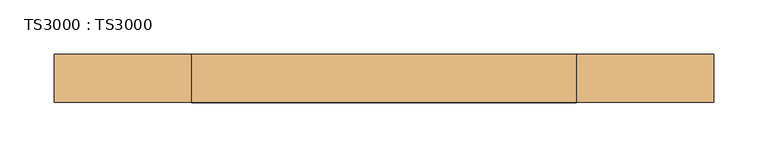
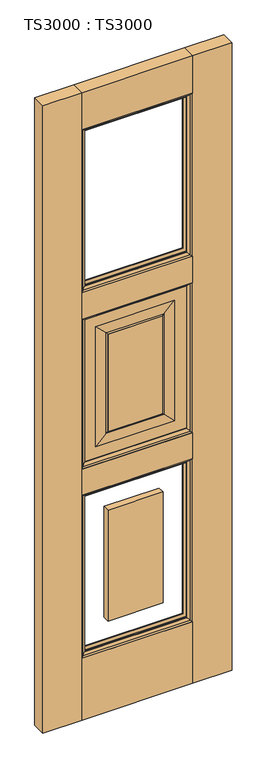
"""IFC4 building model written with IfcOpenShell, lengths in millimetres: door geometry, TS3000 : TS3000."""

from ifc_helpers import new_model, si_unit, frame, origin, origin_with_axes, place, context, project, spatial, polyline, ellipse_curve, outline, extrude, source, transform, mapped, element, save
from ifc_brep_helpers import plane_surface, revolved_surface, advanced_brep


def ts3000_ts3000_722c0499(model_context):
    return source(origin(), model_context, "Body", "SolidModel", [
        advanced_brep(
        [(482.6, 12.7, 1363.1333333), (482.6, 12.7, 853.0166667), (482.6, 31.75, 853.0166667), (482.6, 31.75, 1363.1333333), (127.0, 31.75, 853.0166667), (127.0, 31.75, 1363.1333333), (431.8, 31.75, 903.8166667), (431.8, 31.75, 1312.3333333), (177.8, 31.75, 1312.3333333), (177.8, 31.75, 903.8166667), (127.0, 12.7, 853.0166667), (127.0, 12.7, 1363.1333333), (431.8, 12.7, 1312.3333333), (431.8, 12.7, 903.8166667), (177.8, 12.7, 903.8166667), (177.8, 12.7, 1312.3333333), (393.7, 33.3375, 1274.2333333), (393.7, 33.3375, 941.9166667), (393.7, 11.1125, 941.9166667), (393.7, 11.1125, 1274.2333333), (398.4625, 13.49375, 937.1541667), (398.4625, 13.49375, 1278.9958333), (215.9, 33.3375, 941.9166667), (215.9, 11.1125, 941.9166667), (398.4625, 30.95625, 1278.9958333), (398.4625, 30.95625, 937.1541667), (211.1375, 13.49375, 937.1541667), (215.9, 33.3375, 1274.2333333), (215.9, 11.1125, 1274.2333333), (211.1375, 30.95625, 937.1541667), (211.1375, 13.49375, 1278.9958333), (211.1375, 30.95625, 1278.9958333)],
        [
            (0, 1),
            (1, 2),
            (2, 3),
            (3, 0),
            (2, 4),
            (4, 5),
            (5, 3),
            (6, 7),
            (7, 8),
            (8, 9),
            (9, 6),
            (1, 10),
            (10, 4),
            (0, 11),
            (11, 10),
            (12, 13),
            (13, 14),
            (14, 15),
            (15, 12),
            (16, 17),
            (17, 18),
            (18, 19),
            (19, 16),
            (18, 20, ellipse_curve(frame((398.9585938, 6.5484375, 936.6580729), z_axis=(-0.7071067811865475, 0.0, -0.7071067811865475), x_axis=(0.7071067811865474, 0.0, -0.7071067811865476)), 9.8471798, 6.9630076)),
            (20, 21),
            (21, 19, ellipse_curve(frame((398.9585938, 6.5484375, 1279.4919271), z_axis=(-0.7071067811865475, 0.0, 0.7071067811865475), x_axis=(-0.7071067811865474, 0.0, -0.7071067811865476)), 9.8471798, 6.9630076)),
            (17, 22),
            (22, 23),
            (23, 18),
            (24, 25),
            (25, 17, ellipse_curve(frame((398.9585938, 37.9015625, 936.6580729), z_axis=(-0.7071067811865475, 0.0, -0.7071067811865475), x_axis=(0.7071067811865474, 0.0, -0.7071067811865476)), 9.8471798, 6.9630076)),
            (16, 24, ellipse_curve(frame((398.9585938, 37.9015625, 1279.4919271), z_axis=(-0.7071067811865475, 0.0, 0.7071067811865475), x_axis=(-0.7071067811865474, 0.0, -0.7071067811865476)), 9.8471798, 6.9630076)),
            (11, 5),
            (23, 26, ellipse_curve(frame((210.6414063, 6.5484375, 936.6580729), z_axis=(-0.7071067811865475, 0.0, 0.7071067811865475), x_axis=(-0.7071067811865476, 0.0, -0.7071067811865474)), 9.8471798, 6.9630076)),
            (26, 20),
            (22, 27),
            (27, 28),
            (28, 23),
            (25, 29),
            (29, 22, ellipse_curve(frame((210.6414063, 37.9015625, 936.6580729), z_axis=(-0.7071067811865475, 0.0, 0.7071067811865475), x_axis=(-0.7071067811865476, 0.0, -0.7071067811865474)), 9.8471798, 6.9630076)),
            (28, 30, ellipse_curve(frame((210.6414063, 6.5484375, 1279.4919271), z_axis=(0.7071067811865475, 0.0, 0.7071067811865475), x_axis=(-0.7071067811865474, 0.0, 0.7071067811865476)), 9.8471798, 6.9630076)),
            (30, 26),
            (29, 31),
            (31, 27, ellipse_curve(frame((210.6414063, 37.9015625, 1279.4919271), z_axis=(0.7071067811865475, 0.0, 0.7071067811865475), x_axis=(-0.7071067811865474, 0.0, 0.7071067811865476)), 9.8471798, 6.9630076)),
            (9, 29),
            (25, 6),
            (8, 31),
            (24, 7),
            (30, 15),
            (14, 26),
            (13, 20),
            (12, 21),
            (27, 16),
            (19, 28),
            (24, 31),
            (30, 21),
        ],
        [
            plane_surface(frame((482.6, 31.75, 1363.1333333), z_axis=(1.0, 0.0, 0.0), x_axis=(0.0, 0.0, -1.0))),
            plane_surface(frame((177.8, 31.75, 1312.3333333), z_axis=(0.0, 1.0, 0.0), x_axis=(1.0, 0.0, 0.0))),
            plane_surface(frame((482.6, 31.75, 853.0166667), z_axis=(0.0, 0.0, -1.0), x_axis=(-1.0, 0.0, 0.0))),
            plane_surface(frame((127.0, 12.7, 1363.1333333), z_axis=(0.0, -1.0, 0.0), x_axis=(1.0, 0.0, 0.0))),
            plane_surface(frame((393.7, 11.1125, 1274.2333333), z_axis=(-1.0, 0.0, 0.0), x_axis=(0.0, 0.0, -1.0))),
            revolved_surface(polyline([(391.9955862, 6.5484375, 929.6950652878568), (391.9955862, 6.5484375, 1286.4549347121433)]), (398.9585938, 6.5484375, 1274.2333333), (0.0, 0.0, -1.0)),
            plane_surface(frame((393.7, 11.1125, 941.9166667), z_axis=(0.0, 0.0, 1.0), x_axis=(-1.0, 0.0, 0.0))),
            revolved_surface(polyline([(391.9955862, 37.9015625, 929.6950652878568), (391.9955862, 37.9015625, 1286.4549347121433)]), (398.9585938, 37.9015625, 1274.2333333), (0.0, 0.0, -1.0)),
            plane_surface(frame((127.0, 31.75, 853.0166667), z_axis=(-1.0, 0.0, 0.0), x_axis=(0.0, 0.0, 1.0))),
            revolved_surface(polyline([(203.6783986878568, 6.5484375, 943.6210805), (405.9216014121432, 6.5484375, 943.6210805)]), (393.7, 6.5484375, 936.6580729), (-1.0, 0.0, 0.0)),
            plane_surface(frame((215.9, 11.1125, 941.9166667), z_axis=(1.0, 0.0, 0.0), x_axis=(0.0, 0.0, 1.0))),
            revolved_surface(polyline([(203.6783986878568, 37.9015625, 943.6210805), (405.9216014121432, 37.9015625, 943.6210805)]), (393.7, 37.9015625, 936.6580729), (-1.0, 0.0, 0.0)),
            revolved_surface(polyline([(217.6044139, 6.5484375, 1286.4549347121433), (217.6044139, 6.5484375, 929.6950652878568)]), (210.6414063, 6.5484375, 941.9166667), (0.0, 0.0, 1.0)),
            revolved_surface(polyline([(217.6044139, 37.9015625, 1286.4549347121433), (217.6044139, 37.9015625, 929.6950652878568)]), (210.6414063, 37.9015625, 941.9166667), (0.0, 0.0, 1.0)),
            plane_surface(frame((398.4625, 30.95625, 937.1541667), z_axis=(0.0, 0.9997166737441345, 0.023802777946362628), x_axis=(-1.0, 0.0, 0.0))),
            plane_surface(frame((211.1375, 30.95625, 937.1541667), z_axis=(0.023802777946359394, 0.9997166737441346, 0.0), x_axis=(0.0, 0.0, 1.0))),
            plane_surface(frame((398.4625, 30.95625, 1278.9958333), z_axis=(-0.02380277794636586, 0.9997166737441344, 0.0), x_axis=(0.0, 0.0, -1.0))),
            plane_surface(frame((177.8, 12.7, 903.8166667), z_axis=(0.023802777946303297, -0.9997166737441359, 0.0), x_axis=(0.0, 0.0, 1.0))),
            plane_surface(frame((431.8, 12.7, 903.8166667), z_axis=(0.0, -0.999716673744136, 0.023802777946300063), x_axis=(-1.0, 0.0, 0.0))),
            plane_surface(frame((431.8, 12.7, 1312.3333333), z_axis=(-0.02380277794629683, -0.9997166737441361, 0.0), x_axis=(0.0, 0.0, -1.0))),
            plane_surface(frame((127.0, 31.75, 1363.1333333), z_axis=(0.0, 0.0, 1.0), x_axis=(1.0, 0.0, 0.0))),
            plane_surface(frame((215.9, 11.1125, 1274.2333333), z_axis=(0.0, 0.0, -1.0), x_axis=(1.0, 0.0, 0.0))),
            plane_surface(frame((211.1375, 30.95625, 1278.9958333), z_axis=(0.0, 0.9997166737441345, -0.023802777946362628), x_axis=(1.0, 0.0, 0.0))),
            plane_surface(frame((177.8, 12.7, 1312.3333333), z_axis=(0.0, -0.999716673744136, -0.023802777946300063), x_axis=(1.0, 0.0, 0.0))),
            revolved_surface(polyline([(405.9216014121432, 6.5484375, 1272.5289195), (203.6783986878568, 6.5484375, 1272.5289195)]), (215.9, 6.5484375, 1279.4919271), (1.0, 0.0, 0.0)),
            revolved_surface(polyline([(405.9216014121432, 37.9015625, 1272.5289195), (203.6783986878568, 37.9015625, 1272.5289195)]), (215.9, 37.9015625, 1279.4919271), (1.0, 0.0, 0.0)),
        ],
        [
            (0, [[1, 2, 3, 4]]),
            (1, [[-3, 5, 6, 7], [8, 9, 10, 11]]),
            (2, [[12, 13, -5, -2]]),
            (3, [[-1, 14, 15, -12], [16, 17, 18, 19]]),
            (4, [[20, 21, 22, 23]]),
            (5, [[-22, 24, 25, 26]]),
            (6, [[27, 28, 29, -21]]),
            (7, [[30, 31, -20, 32]]),
            (8, [[-15, 33, -6, -13]]),
            (9, [[-29, 34, 35, -24]]),
            (10, [[36, 37, 38, -28]]),
            (11, [[39, 40, -27, -31]]),
            (12, [[-38, 41, 42, -34]]),
            (13, [[43, 44, -36, -40]]),
            (14, [[-11, 45, -39, 46]]),
            (15, [[-10, 47, -43, -45]]),
            (16, [[-8, -46, -30, 48]]),
            (17, [[-42, 49, -18, 50]]),
            (18, [[-35, -50, -17, 51]]),
            (19, [[-25, -51, -16, 52]]),
            (20, [[-14, -4, -7, -33]]),
            (21, [[53, -23, 54, -37]]),
            (22, [[-9, -48, 55, -47]]),
            (23, [[56, -52, -19, -49]]),
            (24, [[-54, -26, -56, -41]]),
            (25, [[-55, -32, -53, -44]]),
        ],
    ),
        extrude(outline(polyline([(482.6, 44.45), (482.6, 0.0), (127.0, 0.0), (127.0, 44.45), (482.6, 44.45)])), origin_with_axes(), (0.0, 0.0, 1.0), 209.55),
        extrude(outline(polyline([(482.6, 44.45), (482.6, 0.0), (127.0, 0.0), (127.0, 44.45), (482.6, 44.45)])), frame((0.0, 0.0, 764.1166667), z_axis=(0.0, 0.0, 1.0), x_axis=(1.0, 0.0, 0.0)), (0.0, 0.0, 1.0), 88.9),
        extrude(outline(polyline([(482.6, 44.45), (482.6, 0.0), (127.0, 0.0), (127.0, 44.45), (482.6, 44.45)])), frame((0.0, 0.0, 2006.6), z_axis=(0.0, 0.0, 1.0), x_axis=(1.0, 0.0, 0.0)), (0.0, 0.0, 1.0), 127.0),
        extrude(outline(polyline([(482.6, 44.45), (482.6, 0.0), (127.0, 0.0), (127.0, 44.45), (482.6, 44.45)])), frame((0.0, 0.0, 1363.1333333), z_axis=(0.0, 0.0, 1.0), x_axis=(1.0, 0.0, 0.0)), (0.0, 0.0, 1.0), 88.9),
        extrude(outline(polyline([(215.9, 11.1125), (215.9, 33.3375), (393.7, 33.3375), (393.7, 11.1125), (215.9, 11.1125)])), frame((0.0, 0.0, 941.9166667), z_axis=(0.0, 0.0, 1.0), x_axis=(1.0, 0.0, 0.0)), (0.0, 0.0, 1.0), 332.3166667),
        extrude(outline(polyline([(215.9, 11.1125), (215.9, 33.3375), (393.7, 33.3375), (393.7, 11.1125), (215.9, 11.1125)])), frame((0.0, 0.0, 298.45), z_axis=(0.0, 0.0, 1.0), x_axis=(1.0, 0.0, 0.0)), (0.0, 0.0, 1.0), 376.7666667),
        extrude(outline(polyline([(127.0, 44.45), (127.0, 0.0), (0.0, 0.0), (0.0, 44.45), (127.0, 44.45)])), origin_with_axes(), (0.0, 0.0, 1.0), 2133.6),
        extrude(outline(polyline([(609.6, 44.45), (609.6, 0.0), (482.6, 0.0), (482.6, 44.45), (609.6, 44.45)])), origin_with_axes(), (0.0, 0.0, 1.0), 2133.6),
        advanced_brep(
        [(482.6, 31.75, 764.1166667), (482.6, 31.75, 209.55), (482.6, 44.4610047, 209.55), (482.6, 44.4610047, 764.1166667), (469.8912454, 34.925, 751.407912), (469.8912454, 34.925, 222.2587546), (469.8912454, 31.75, 222.2587546), (469.8912454, 31.75, 751.407912), (477.7328423, 41.275, 759.249509), (477.7328423, 41.275, 214.4171577), (127.0, 31.75, 209.55), (127.0, 44.4610047, 209.55), (139.7087546, 34.925, 222.2587546), (139.7087546, 31.75, 222.2587546), (131.8671577, 41.275, 214.4171577), (127.0, 31.75, 764.1166667), (127.0, 44.4610047, 764.1166667), (139.7087546, 34.925, 751.407912), (139.7087546, 31.75, 751.407912), (131.8671577, 41.275, 759.249509)],
        [
            (0, 1),
            (1, 2),
            (2, 3),
            (3, 0),
            (4, 5),
            (5, 6),
            (6, 7),
            (7, 4),
            (8, 9),
            (9, 5, ellipse_curve(frame((465.749739, 48.0561173, 226.400261), z_axis=(-0.7071067811865475, 0.0, -0.7071067811865475), x_axis=(0.7071067811865474, 0.0, -0.7071067811865476)), 19.4719447, 13.7687442)),
            (4, 8, ellipse_curve(frame((465.749739, 48.0561173, 747.2664057), z_axis=(-0.7071067811865475, 0.0, 0.7071067811865475), x_axis=(-0.7071067811865474, 0.0, -0.7071067811865476)), 19.4719447, 13.7687442)),
            (2, 9, ellipse_curve(frame((474.6613821, 51.2778746, 217.4886179), z_axis=(-0.7071067811865475, 0.0, -0.7071067811865475), x_axis=(0.7071067811865474, 0.0, -0.7071067811865476)), 14.7980653, 10.4638123)),
            (8, 3, ellipse_curve(frame((474.6613821, 51.2778746, 756.1780488), z_axis=(-0.7071067811865475, 0.0, 0.7071067811865475), x_axis=(-0.7071067811865474, 0.0, -0.7071067811865476)), 14.7980653, 10.4638123)),
            (1, 10),
            (10, 11),
            (11, 2),
            (5, 12),
            (12, 13),
            (13, 6),
            (9, 14),
            (14, 12, ellipse_curve(frame((143.850261, 48.0561173, 226.400261), z_axis=(-0.7071067811865475, 0.0, 0.7071067811865475), x_axis=(-0.7071067811865476, 0.0, -0.7071067811865474)), 19.4719447, 13.7687442)),
            (11, 14, ellipse_curve(frame((134.9386179, 51.2778746, 217.4886179), z_axis=(-0.7071067811865475, 0.0, 0.7071067811865475), x_axis=(-0.7071067811865476, 0.0, -0.7071067811865474)), 14.7980653, 10.4638123)),
            (10, 15),
            (15, 16),
            (16, 11),
            (12, 17),
            (17, 18),
            (18, 13),
            (14, 19),
            (19, 17, ellipse_curve(frame((143.850261, 48.0561173, 747.2664057), z_axis=(0.7071067811865475, 0.0, 0.7071067811865475), x_axis=(-0.7071067811865474, 0.0, 0.7071067811865476)), 19.4719447, 13.7687442)),
            (16, 19, ellipse_curve(frame((134.9386179, 51.2778746, 756.1780488), z_axis=(0.7071067811865475, 0.0, 0.7071067811865475), x_axis=(-0.7071067811865474, 0.0, 0.7071067811865476)), 14.7980653, 10.4638123)),
            (15, 0),
            (3, 16),
            (18, 7),
            (17, 4),
            (19, 8),
        ],
        [
            plane_surface(frame((482.6, 44.4610047, 764.1166667), z_axis=(1.0, 0.0, 0.0), x_axis=(0.0, 0.0, -1.0))),
            plane_surface(frame((469.8912454, 31.75, 751.407912), z_axis=(-1.0, 0.0, 0.0), x_axis=(0.0, 0.0, -1.0))),
            revolved_surface(polyline([(451.98099479999996, 48.0561173, 212.6315168597406), (451.98099479999996, 48.0561173, 761.0351498402594)]), (465.749739, 48.0561173, 764.1166667), (0.0, 0.0, -1.0)),
            revolved_surface(polyline([(464.1975698, 51.2778746, 207.02480557792865), (464.1975698, 51.2778746, 766.6418611220714)]), (474.6613821, 51.2778746, 764.1166667), (0.0, 0.0, -1.0)),
            plane_surface(frame((482.6, 44.4610047, 209.55), z_axis=(0.0, 0.0, -1.0), x_axis=(-1.0, 0.0, 0.0))),
            plane_surface(frame((469.8912454, 31.75, 222.2587546), z_axis=(0.0, 0.0, 1.0), x_axis=(-1.0, 0.0, 0.0))),
            revolved_surface(polyline([(130.08151685974053, 48.0561173, 240.16900520000002), (479.51848314025943, 48.0561173, 240.16900520000002)]), (482.6, 48.0561173, 226.400261), (-1.0, 0.0, 0.0)),
            revolved_surface(polyline([(124.47480557792863, 51.2778746, 227.9524302), (485.1251944220714, 51.2778746, 227.9524302)]), (482.6, 51.2778746, 217.4886179), (-1.0, 0.0, 0.0)),
            plane_surface(frame((127.0, 44.4610047, 209.55), z_axis=(-1.0, 0.0, 0.0), x_axis=(0.0, 0.0, 1.0))),
            plane_surface(frame((139.7087546, 31.75, 222.2587546), z_axis=(1.0, 0.0, 0.0), x_axis=(0.0, 0.0, 1.0))),
            revolved_surface(polyline([(157.6190052, 48.0561173, 761.0351498402595), (157.6190052, 48.0561173, 212.63151685974054)]), (143.850261, 48.0561173, 209.55), (0.0, 0.0, 1.0)),
            revolved_surface(polyline([(145.4024302, 51.2778746, 766.6418611220713), (145.4024302, 51.2778746, 207.02480557792867)]), (134.9386179, 51.2778746, 209.55), (0.0, 0.0, 1.0)),
            plane_surface(frame((127.0, 44.4610047, 764.1166667), z_axis=(0.0, 0.0, 1.0), x_axis=(1.0, 0.0, 0.0))),
            plane_surface(frame((127.0, 31.75, 764.1166667), z_axis=(0.0, -1.0, 0.0), x_axis=(1.0, 0.0, 0.0))),
            plane_surface(frame((139.7087546, 31.75, 751.407912), z_axis=(0.0, 0.0, -1.0), x_axis=(1.0, 0.0, 0.0))),
            revolved_surface(polyline([(479.51848314025943, 48.0561173, 733.4976614999999), (130.08151685974053, 48.0561173, 733.4976614999999)]), (127.0, 48.0561173, 747.2664057), (1.0, 0.0, 0.0)),
            revolved_surface(polyline([(485.1251944220714, 51.2778746, 745.7142365000001), (124.47480557792866, 51.2778746, 745.7142365000001)]), (127.0, 51.2778746, 756.1780488), (1.0, 0.0, 0.0)),
        ],
        [
            (0, [[1, 2, 3, 4]]),
            (1, [[5, 6, 7, 8]]),
            (2, [[9, 10, -5, 11]]),
            (3, [[-3, 12, -9, 13]]),
            (4, [[14, 15, 16, -2]]),
            (5, [[17, 18, 19, -6]]),
            (6, [[20, 21, -17, -10]]),
            (7, [[-16, 22, -20, -12]]),
            (8, [[23, 24, 25, -15]]),
            (9, [[26, 27, 28, -18]]),
            (10, [[29, 30, -26, -21]]),
            (11, [[-25, 31, -29, -22]]),
            (12, [[32, -4, 33, -24]]),
            (13, [[-1, -32, -23, -14], [-7, -19, -28, 34]]),
            (14, [[35, -8, -34, -27]]),
            (15, [[36, -11, -35, -30]]),
            (16, [[-33, -13, -36, -31]]),
        ],
    ),
        advanced_brep(
        [(477.7328423, 3.175, 759.249509), (477.7328423, 3.175, 214.4171577), (482.6, -0.0110047, 209.55), (482.6, -0.0110047, 764.1166667), (469.8912454, 9.525, 751.407912), (469.8912454, 9.525, 222.2587546), (469.8912454, 12.7, 751.407912), (469.8912454, 12.7, 222.2587546), (482.6, 12.7, 209.55), (482.6, 12.7, 764.1166667), (131.8671577, 3.175, 214.4171577), (127.0, -0.0110047, 209.55), (139.7087546, 9.525, 222.2587546), (139.7087546, 12.7, 222.2587546), (127.0, 12.7, 209.55), (131.8671577, 3.175, 759.249509), (127.0, -0.0110047, 764.1166667), (139.7087546, 9.525, 751.407912), (139.7087546, 12.7, 751.407912), (127.0, 12.7, 764.1166667)],
        [
            (0, 1),
            (1, 2, ellipse_curve(frame((474.6613821, -6.8278746, 217.4886179), z_axis=(-0.7071067811865475, 0.0, -0.7071067811865475), x_axis=(0.7071067811865474, 0.0, -0.7071067811865476)), 14.7980653, 10.4638123)),
            (2, 3),
            (3, 0, ellipse_curve(frame((474.6613821, -6.8278746, 756.1780488), z_axis=(-0.7071067811865475, 0.0, 0.7071067811865475), x_axis=(-0.7071067811865474, 0.0, -0.7071067811865476)), 14.7980653, 10.4638123)),
            (4, 5),
            (5, 1, ellipse_curve(frame((465.749739, -3.6061173, 226.400261), z_axis=(-0.7071067811865475, 0.0, -0.7071067811865475), x_axis=(0.7071067811865474, 0.0, -0.7071067811865476)), 19.4719447, 13.7687442)),
            (0, 4, ellipse_curve(frame((465.749739, -3.6061173, 747.2664057), z_axis=(-0.7071067811865475, 0.0, 0.7071067811865475), x_axis=(-0.7071067811865474, 0.0, -0.7071067811865476)), 19.4719447, 13.7687442)),
            (6, 7),
            (7, 5),
            (4, 6),
            (2, 8),
            (8, 9),
            (9, 3),
            (1, 10),
            (10, 11, ellipse_curve(frame((134.9386179, -6.8278746, 217.4886179), z_axis=(-0.7071067811865475, 0.0, 0.7071067811865475), x_axis=(-0.7071067811865476, 0.0, -0.7071067811865474)), 14.7980653, 10.4638123)),
            (11, 2),
            (5, 12),
            (12, 10, ellipse_curve(frame((143.850261, -3.6061173, 226.400261), z_axis=(-0.7071067811865475, 0.0, 0.7071067811865475), x_axis=(-0.7071067811865476, 0.0, -0.7071067811865474)), 19.4719447, 13.7687442)),
            (7, 13),
            (13, 12),
            (11, 14),
            (14, 8),
            (10, 15),
            (15, 16, ellipse_curve(frame((134.9386179, -6.8278746, 756.1780488), z_axis=(0.7071067811865475, 0.0, 0.7071067811865475), x_axis=(-0.7071067811865474, 0.0, 0.7071067811865476)), 14.7980653, 10.4638123)),
            (16, 11),
            (12, 17),
            (17, 15, ellipse_curve(frame((143.850261, -3.6061173, 747.2664057), z_axis=(0.7071067811865475, 0.0, 0.7071067811865475), x_axis=(-0.7071067811865474, 0.0, 0.7071067811865476)), 19.4719447, 13.7687442)),
            (13, 18),
            (18, 17),
            (16, 19),
            (19, 14),
            (15, 0),
            (3, 16),
            (17, 4),
            (18, 6),
            (19, 9),
        ],
        [
            revolved_surface(polyline([(464.1975698, -6.8278746, 207.02480557792865), (464.1975698, -6.8278746, 766.6418611220714)]), (474.6613821, -6.8278746, 764.1166667), (0.0, 0.0, -1.0)),
            revolved_surface(polyline([(451.98099479999996, -3.6061173, 212.6315168597406), (451.98099479999996, -3.6061173, 761.0351498402594)]), (465.749739, -3.6061173, 764.1166667), (0.0, 0.0, -1.0)),
            plane_surface(frame((469.8912454, 9.525, 751.407912), z_axis=(-1.0, 0.0, 0.0), x_axis=(0.0, 0.0, -1.0))),
            plane_surface(frame((482.6, 12.7, 764.1166667), z_axis=(1.0, 0.0, 0.0), x_axis=(0.0, 0.0, -1.0))),
            revolved_surface(polyline([(124.47480557792863, -6.8278746, 227.9524302), (485.1251944220714, -6.8278746, 227.9524302)]), (482.6, -6.8278746, 217.4886179), (-1.0, 0.0, 0.0)),
            revolved_surface(polyline([(130.08151685974053, -3.6061173, 240.16900520000002), (479.51848314025943, -3.6061173, 240.16900520000002)]), (482.6, -3.6061173, 226.400261), (-1.0, 0.0, 0.0)),
            plane_surface(frame((469.8912454, 9.525, 222.2587546), z_axis=(0.0, 0.0, 1.0), x_axis=(-1.0, 0.0, 0.0))),
            plane_surface(frame((482.6, 12.7, 209.55), z_axis=(0.0, 0.0, -1.0), x_axis=(-1.0, 0.0, 0.0))),
            revolved_surface(polyline([(145.4024302, -6.8278746, 766.6418611220713), (145.4024302, -6.8278746, 207.02480557792867)]), (134.9386179, -6.8278746, 209.55), (0.0, 0.0, 1.0)),
            revolved_surface(polyline([(157.6190052, -3.6061173, 761.0351498402595), (157.6190052, -3.6061173, 212.63151685974054)]), (143.850261, -3.6061173, 209.55), (0.0, 0.0, 1.0)),
            plane_surface(frame((139.7087546, 9.525, 222.2587546), z_axis=(1.0, 0.0, 0.0), x_axis=(0.0, 0.0, 1.0))),
            plane_surface(frame((127.0, 12.7, 209.55), z_axis=(-1.0, 0.0, 0.0), x_axis=(0.0, 0.0, 1.0))),
            revolved_surface(polyline([(485.1251944220714, -6.8278746, 745.7142365000001), (124.47480557792866, -6.8278746, 745.7142365000001)]), (127.0, -6.8278746, 756.1780488), (1.0, 0.0, 0.0)),
            revolved_surface(polyline([(479.51848314025943, -3.6061173, 733.4976614999999), (130.08151685974053, -3.6061173, 733.4976614999999)]), (127.0, -3.6061173, 747.2664057), (1.0, 0.0, 0.0)),
            plane_surface(frame((139.7087546, 9.525, 751.407912), z_axis=(0.0, 0.0, -1.0), x_axis=(1.0, 0.0, 0.0))),
            plane_surface(frame((139.7087546, 12.7, 751.407912), z_axis=(0.0, 1.0, 0.0), x_axis=(1.0, 0.0, 0.0))),
            plane_surface(frame((127.0, 12.7, 764.1166667), z_axis=(0.0, 0.0, 1.0), x_axis=(1.0, 0.0, 0.0))),
        ],
        [
            (0, [[1, 2, 3, 4]]),
            (1, [[5, 6, -1, 7]]),
            (2, [[8, 9, -5, 10]]),
            (3, [[-3, 11, 12, 13]]),
            (4, [[14, 15, 16, -2]]),
            (5, [[17, 18, -14, -6]]),
            (6, [[19, 20, -17, -9]]),
            (7, [[-16, 21, 22, -11]]),
            (8, [[23, 24, 25, -15]]),
            (9, [[26, 27, -23, -18]]),
            (10, [[28, 29, -26, -20]]),
            (11, [[-25, 30, 31, -21]]),
            (12, [[32, -4, 33, -24]]),
            (13, [[34, -7, -32, -27]]),
            (14, [[35, -10, -34, -29]]),
            (15, [[-12, -22, -31, 36], [-8, -35, -28, -19]]),
            (16, [[-33, -13, -36, -30]]),
        ],
    ),
        advanced_brep(
        [(482.6, 31.75, 1363.1333333), (482.6, 31.75, 853.0166667), (482.6, 44.4610047, 853.0166667), (482.6, 44.4610047, 1363.1333333), (469.8912454, 34.925, 1350.4245787), (469.8912454, 34.925, 865.7254213), (469.8912454, 31.75, 865.7254213), (469.8912454, 31.75, 1350.4245787), (477.7328423, 41.275, 1358.2661757), (477.7328423, 41.275, 857.8838243), (127.0, 31.75, 853.0166667), (127.0, 44.4610047, 853.0166667), (139.7087546, 34.925, 865.7254213), (139.7087546, 31.75, 865.7254213), (131.8671577, 41.275, 857.8838243), (127.0, 31.75, 1363.1333333), (127.0, 44.4610047, 1363.1333333), (139.7087546, 34.925, 1350.4245787), (139.7087546, 31.75, 1350.4245787), (131.8671577, 41.275, 1358.2661757)],
        [
            (0, 1),
            (1, 2),
            (2, 3),
            (3, 0),
            (4, 5),
            (5, 6),
            (6, 7),
            (7, 4),
            (8, 9),
            (9, 5, ellipse_curve(frame((465.749739, 48.0561173, 869.8669276), z_axis=(-0.7071067811865475, 0.0, -0.7071067811865475), x_axis=(0.7071067811865474, 0.0, -0.7071067811865476)), 19.4719447, 13.7687442)),
            (4, 8, ellipse_curve(frame((465.749739, 48.0561173, 1346.2830724), z_axis=(-0.7071067811865475, 0.0, 0.7071067811865475), x_axis=(-0.7071067811865474, 0.0, -0.7071067811865476)), 19.4719447, 13.7687442)),
            (2, 9, ellipse_curve(frame((474.6613821, 51.2778746, 860.9552845), z_axis=(-0.7071067811865475, 0.0, -0.7071067811865475), x_axis=(0.7071067811865474, 0.0, -0.7071067811865476)), 14.7980653, 10.4638123)),
            (8, 3, ellipse_curve(frame((474.6613821, 51.2778746, 1355.1947155), z_axis=(-0.7071067811865475, 0.0, 0.7071067811865475), x_axis=(-0.7071067811865474, 0.0, -0.7071067811865476)), 14.7980653, 10.4638123)),
            (1, 10),
            (10, 11),
            (11, 2),
            (5, 12),
            (12, 13),
            (13, 6),
            (9, 14),
            (14, 12, ellipse_curve(frame((143.850261, 48.0561173, 869.8669276), z_axis=(-0.7071067811865475, 0.0, 0.7071067811865475), x_axis=(-0.7071067811865476, 0.0, -0.7071067811865474)), 19.4719447, 13.7687442)),
            (11, 14, ellipse_curve(frame((134.9386179, 51.2778746, 860.9552845), z_axis=(-0.7071067811865475, 0.0, 0.7071067811865475), x_axis=(-0.7071067811865476, 0.0, -0.7071067811865474)), 14.7980653, 10.4638123)),
            (10, 15),
            (15, 16),
            (16, 11),
            (12, 17),
            (17, 18),
            (18, 13),
            (14, 19),
            (19, 17, ellipse_curve(frame((143.850261, 48.0561173, 1346.2830724), z_axis=(0.7071067811865475, 0.0, 0.7071067811865475), x_axis=(-0.7071067811865474, 0.0, 0.7071067811865476)), 19.4719447, 13.7687442)),
            (16, 19, ellipse_curve(frame((134.9386179, 51.2778746, 1355.1947155), z_axis=(0.7071067811865475, 0.0, 0.7071067811865475), x_axis=(-0.7071067811865474, 0.0, 0.7071067811865476)), 14.7980653, 10.4638123)),
            (15, 0),
            (3, 16),
            (18, 7),
            (17, 4),
            (19, 8),
        ],
        [
            plane_surface(frame((482.6, 44.4610047, 1363.1333333), z_axis=(1.0, 0.0, 0.0), x_axis=(0.0, 0.0, -1.0))),
            plane_surface(frame((469.8912454, 31.75, 1350.4245787), z_axis=(-1.0, 0.0, 0.0), x_axis=(0.0, 0.0, -1.0))),
            revolved_surface(polyline([(451.98099479999996, 48.0561173, 856.0981834597405), (451.98099479999996, 48.0561173, 1360.0518165402596)]), (465.749739, 48.0561173, 1363.1333333), (0.0, 0.0, -1.0)),
            revolved_surface(polyline([(464.1975698, 51.2778746, 850.4914721779286), (464.1975698, 51.2778746, 1365.6585278220714)]), (474.6613821, 51.2778746, 1363.1333333), (0.0, 0.0, -1.0)),
            plane_surface(frame((482.6, 44.4610047, 853.0166667), z_axis=(0.0, 0.0, -1.0), x_axis=(-1.0, 0.0, 0.0))),
            plane_surface(frame((469.8912454, 31.75, 865.7254213), z_axis=(0.0, 0.0, 1.0), x_axis=(-1.0, 0.0, 0.0))),
            revolved_surface(polyline([(130.08151685974053, 48.0561173, 883.6356718000001), (479.51848314025943, 48.0561173, 883.6356718000001)]), (482.6, 48.0561173, 869.8669276), (-1.0, 0.0, 0.0)),
            revolved_surface(polyline([(124.47480557792863, 51.2778746, 871.4190967999999), (485.1251944220714, 51.2778746, 871.4190967999999)]), (482.6, 51.2778746, 860.9552845), (-1.0, 0.0, 0.0)),
            plane_surface(frame((127.0, 44.4610047, 853.0166667), z_axis=(-1.0, 0.0, 0.0), x_axis=(0.0, 0.0, 1.0))),
            plane_surface(frame((139.7087546, 31.75, 865.7254213), z_axis=(1.0, 0.0, 0.0), x_axis=(0.0, 0.0, 1.0))),
            revolved_surface(polyline([(157.6190052, 48.0561173, 1360.0518165402596), (157.6190052, 48.0561173, 856.0981834597407)]), (143.850261, 48.0561173, 853.0166667), (0.0, 0.0, 1.0)),
            revolved_surface(polyline([(145.4024302, 51.2778746, 1365.6585278220714), (145.4024302, 51.2778746, 850.4914721779286)]), (134.9386179, 51.2778746, 853.0166667), (0.0, 0.0, 1.0)),
            plane_surface(frame((127.0, 44.4610047, 1363.1333333), z_axis=(0.0, 0.0, 1.0), x_axis=(1.0, 0.0, 0.0))),
            plane_surface(frame((127.0, 31.75, 1363.1333333), z_axis=(0.0, -1.0, 0.0), x_axis=(1.0, 0.0, 0.0))),
            plane_surface(frame((139.7087546, 31.75, 1350.4245787), z_axis=(0.0, 0.0, -1.0), x_axis=(1.0, 0.0, 0.0))),
            revolved_surface(polyline([(479.51848314025943, 48.0561173, 1332.5143282000001), (130.08151685974053, 48.0561173, 1332.5143282000001)]), (127.0, 48.0561173, 1346.2830724), (1.0, 0.0, 0.0)),
            revolved_surface(polyline([(485.1251944220714, 51.2778746, 1344.7309032), (124.47480557792866, 51.2778746, 1344.7309032)]), (127.0, 51.2778746, 1355.1947155), (1.0, 0.0, 0.0)),
        ],
        [
            (0, [[1, 2, 3, 4]]),
            (1, [[5, 6, 7, 8]]),
            (2, [[9, 10, -5, 11]]),
            (3, [[-3, 12, -9, 13]]),
            (4, [[14, 15, 16, -2]]),
            (5, [[17, 18, 19, -6]]),
            (6, [[20, 21, -17, -10]]),
            (7, [[-16, 22, -20, -12]]),
            (8, [[23, 24, 25, -15]]),
            (9, [[26, 27, 28, -18]]),
            (10, [[29, 30, -26, -21]]),
            (11, [[-25, 31, -29, -22]]),
            (12, [[32, -4, 33, -24]]),
            (13, [[-1, -32, -23, -14], [-7, -19, -28, 34]]),
            (14, [[35, -8, -34, -27]]),
            (15, [[36, -11, -35, -30]]),
            (16, [[-33, -13, -36, -31]]),
        ],
    ),
        advanced_brep(
        [(477.7328423, 3.175, 1358.2661757), (477.7328423, 3.175, 857.8838243), (482.6, -0.0110047, 853.0166667), (482.6, -0.0110047, 1363.1333333), (469.8912454, 9.525, 1350.4245787), (469.8912454, 9.525, 865.7254213), (469.8912454, 12.7, 1350.4245787), (469.8912454, 12.7, 865.7254213), (482.6, 12.7, 853.0166667), (482.6, 12.7, 1363.1333333), (131.8671577, 3.175, 857.8838243), (127.0, -0.0110047, 853.0166667), (139.7087546, 9.525, 865.7254213), (139.7087546, 12.7, 865.7254213), (127.0, 12.7, 853.0166667), (131.8671577, 3.175, 1358.2661757), (127.0, -0.0110047, 1363.1333333), (139.7087546, 9.525, 1350.4245787), (139.7087546, 12.7, 1350.4245787), (127.0, 12.7, 1363.1333333)],
        [
            (0, 1),
            (1, 2, ellipse_curve(frame((474.6613821, -6.8278746, 860.9552845), z_axis=(-0.7071067811865475, 0.0, -0.7071067811865475), x_axis=(0.7071067811865474, 0.0, -0.7071067811865476)), 14.7980653, 10.4638123)),
            (2, 3),
            (3, 0, ellipse_curve(frame((474.6613821, -6.8278746, 1355.1947155), z_axis=(-0.7071067811865475, 0.0, 0.7071067811865475), x_axis=(-0.7071067811865474, 0.0, -0.7071067811865476)), 14.7980653, 10.4638123)),
            (4, 5),
            (5, 1, ellipse_curve(frame((465.749739, -3.6061173, 869.8669276), z_axis=(-0.7071067811865475, 0.0, -0.7071067811865475), x_axis=(0.7071067811865474, 0.0, -0.7071067811865476)), 19.4719447, 13.7687442)),
            (0, 4, ellipse_curve(frame((465.749739, -3.6061173, 1346.2830724), z_axis=(-0.7071067811865475, 0.0, 0.7071067811865475), x_axis=(-0.7071067811865474, 0.0, -0.7071067811865476)), 19.4719447, 13.7687442)),
            (6, 7),
            (7, 5),
            (4, 6),
            (2, 8),
            (8, 9),
            (9, 3),
            (1, 10),
            (10, 11, ellipse_curve(frame((134.9386179, -6.8278746, 860.9552845), z_axis=(-0.7071067811865475, 0.0, 0.7071067811865475), x_axis=(-0.7071067811865476, 0.0, -0.7071067811865474)), 14.7980653, 10.4638123)),
            (11, 2),
            (5, 12),
            (12, 10, ellipse_curve(frame((143.850261, -3.6061173, 869.8669276), z_axis=(-0.7071067811865475, 0.0, 0.7071067811865475), x_axis=(-0.7071067811865476, 0.0, -0.7071067811865474)), 19.4719447, 13.7687442)),
            (7, 13),
            (13, 12),
            (11, 14),
            (14, 8),
            (10, 15),
            (15, 16, ellipse_curve(frame((134.9386179, -6.8278746, 1355.1947155), z_axis=(0.7071067811865475, 0.0, 0.7071067811865475), x_axis=(-0.7071067811865474, 0.0, 0.7071067811865476)), 14.7980653, 10.4638123)),
            (16, 11),
            (12, 17),
            (17, 15, ellipse_curve(frame((143.850261, -3.6061173, 1346.2830724), z_axis=(0.7071067811865475, 0.0, 0.7071067811865475), x_axis=(-0.7071067811865474, 0.0, 0.7071067811865476)), 19.4719447, 13.7687442)),
            (13, 18),
            (18, 17),
            (16, 19),
            (19, 14),
            (15, 0),
            (3, 16),
            (17, 4),
            (18, 6),
            (19, 9),
        ],
        [
            revolved_surface(polyline([(464.1975698, -6.8278746, 850.4914721779286), (464.1975698, -6.8278746, 1365.6585278220714)]), (474.6613821, -6.8278746, 1363.1333333), (0.0, 0.0, -1.0)),
            revolved_surface(polyline([(451.98099479999996, -3.6061173, 856.0981834597405), (451.98099479999996, -3.6061173, 1360.0518165402596)]), (465.749739, -3.6061173, 1363.1333333), (0.0, 0.0, -1.0)),
            plane_surface(frame((469.8912454, 9.525, 1350.4245787), z_axis=(-1.0, 0.0, 0.0), x_axis=(0.0, 0.0, -1.0))),
            plane_surface(frame((482.6, 12.7, 1363.1333333), z_axis=(1.0, 0.0, 0.0), x_axis=(0.0, 0.0, -1.0))),
            revolved_surface(polyline([(124.47480557792863, -6.8278746, 871.4190967999999), (485.1251944220714, -6.8278746, 871.4190967999999)]), (482.6, -6.8278746, 860.9552845), (-1.0, 0.0, 0.0)),
            revolved_surface(polyline([(130.08151685974053, -3.6061173, 883.6356718000001), (479.51848314025943, -3.6061173, 883.6356718000001)]), (482.6, -3.6061173, 869.8669276), (-1.0, 0.0, 0.0)),
            plane_surface(frame((469.8912454, 9.525, 865.7254213), z_axis=(0.0, 0.0, 1.0), x_axis=(-1.0, 0.0, 0.0))),
            plane_surface(frame((482.6, 12.7, 853.0166667), z_axis=(0.0, 0.0, -1.0), x_axis=(-1.0, 0.0, 0.0))),
            revolved_surface(polyline([(145.4024302, -6.8278746, 1365.6585278220714), (145.4024302, -6.8278746, 850.4914721779286)]), (134.9386179, -6.8278746, 853.0166667), (0.0, 0.0, 1.0)),
            revolved_surface(polyline([(157.6190052, -3.6061173, 1360.0518165402596), (157.6190052, -3.6061173, 856.0981834597407)]), (143.850261, -3.6061173, 853.0166667), (0.0, 0.0, 1.0)),
            plane_surface(frame((139.7087546, 9.525, 865.7254213), z_axis=(1.0, 0.0, 0.0), x_axis=(0.0, 0.0, 1.0))),
            plane_surface(frame((127.0, 12.7, 853.0166667), z_axis=(-1.0, 0.0, 0.0), x_axis=(0.0, 0.0, 1.0))),
            revolved_surface(polyline([(485.1251944220714, -6.8278746, 1344.7309032), (124.47480557792866, -6.8278746, 1344.7309032)]), (127.0, -6.8278746, 1355.1947155), (1.0, 0.0, 0.0)),
            revolved_surface(polyline([(479.51848314025943, -3.6061173, 1332.5143282000001), (130.08151685974053, -3.6061173, 1332.5143282000001)]), (127.0, -3.6061173, 1346.2830724), (1.0, 0.0, 0.0)),
            plane_surface(frame((139.7087546, 9.525, 1350.4245787), z_axis=(0.0, 0.0, -1.0), x_axis=(1.0, 0.0, 0.0))),
            plane_surface(frame((139.7087546, 12.7, 1350.4245787), z_axis=(0.0, 1.0, 0.0), x_axis=(1.0, 0.0, 0.0))),
            plane_surface(frame((127.0, 12.7, 1363.1333333), z_axis=(0.0, 0.0, 1.0), x_axis=(1.0, 0.0, 0.0))),
        ],
        [
            (0, [[1, 2, 3, 4]]),
            (1, [[5, 6, -1, 7]]),
            (2, [[8, 9, -5, 10]]),
            (3, [[-3, 11, 12, 13]]),
            (4, [[14, 15, 16, -2]]),
            (5, [[17, 18, -14, -6]]),
            (6, [[19, 20, -17, -9]]),
            (7, [[-16, 21, 22, -11]]),
            (8, [[23, 24, 25, -15]]),
            (9, [[26, 27, -23, -18]]),
            (10, [[28, 29, -26, -20]]),
            (11, [[-25, 30, 31, -21]]),
            (12, [[32, -4, 33, -24]]),
            (13, [[34, -7, -32, -27]]),
            (14, [[35, -10, -34, -29]]),
            (15, [[-12, -22, -31, 36], [-8, -35, -28, -19]]),
            (16, [[-33, -13, -36, -30]]),
        ],
    ),
        advanced_brep(
        [(482.6, 31.75, 2006.6), (482.6, 31.75, 1452.0333333), (482.6, 44.4610047, 1452.0333333), (482.6, 44.4610047, 2006.6), (469.8912454, 34.925, 1993.8912454), (469.8912454, 34.925, 1464.742088), (469.8912454, 31.75, 1464.742088), (469.8912454, 31.75, 1993.8912454), (477.7328423, 41.275, 2001.7328423), (477.7328423, 41.275, 1456.900491), (127.0, 31.75, 1452.0333333), (127.0, 44.4610047, 1452.0333333), (139.7087546, 34.925, 1464.742088), (139.7087546, 31.75, 1464.742088), (131.8671577, 41.275, 1456.900491), (127.0, 31.75, 2006.6), (127.0, 44.4610047, 2006.6), (139.7087546, 34.925, 1993.8912454), (139.7087546, 31.75, 1993.8912454), (131.8671577, 41.275, 2001.7328423)],
        [
            (0, 1),
            (1, 2),
            (2, 3),
            (3, 0),
            (4, 5),
            (5, 6),
            (6, 7),
            (7, 4),
            (8, 9),
            (9, 5, ellipse_curve(frame((466.4743353, 47.1613154, 1468.158998), z_axis=(-0.7071067811865475, 0.0, -0.7071067811865475), x_axis=(0.7071067811865474, 0.0, -0.7071067811865476)), 17.9667854, 12.7044358)),
            (4, 8, ellipse_curve(frame((466.4743353, 47.1613154, 1990.4743353), z_axis=(-0.7071067811865475, 0.0, 0.7071067811865475), x_axis=(-0.7071067811865474, 0.0, -0.7071067811865476)), 17.9667854, 12.7044358)),
            (2, 9, ellipse_curve(frame((475.3585588, 50.2128202, 1459.2747746), z_axis=(-0.7071067811865475, 0.0, -0.7071067811865475), x_axis=(0.7071067811865474, 0.0, -0.7071067811865476)), 13.0783678, 9.2478026)),
            (8, 3, ellipse_curve(frame((475.3585588, 50.2128202, 1999.3585588), z_axis=(-0.7071067811865475, 0.0, 0.7071067811865475), x_axis=(-0.7071067811865474, 0.0, -0.7071067811865476)), 13.0783678, 9.2478026)),
            (1, 10),
            (10, 11),
            (11, 2),
            (5, 12),
            (12, 13),
            (13, 6),
            (9, 14),
            (14, 12, ellipse_curve(frame((143.1256647, 47.1613154, 1468.158998), z_axis=(-0.7071067811865475, 0.0, 0.7071067811865475), x_axis=(-0.7071067811865476, 0.0, -0.7071067811865474)), 17.9667854, 12.7044358)),
            (11, 14, ellipse_curve(frame((134.2414412, 50.2128202, 1459.2747746), z_axis=(-0.7071067811865475, 0.0, 0.7071067811865475), x_axis=(-0.7071067811865476, 0.0, -0.7071067811865474)), 13.0783678, 9.2478026)),
            (10, 15),
            (15, 16),
            (16, 11),
            (12, 17),
            (17, 18),
            (18, 13),
            (14, 19),
            (19, 17, ellipse_curve(frame((143.1256647, 47.1613154, 1990.4743353), z_axis=(0.7071067811865475, 0.0, 0.7071067811865475), x_axis=(-0.7071067811865474, 0.0, 0.7071067811865476)), 17.9667854, 12.7044358)),
            (16, 19, ellipse_curve(frame((134.2414412, 50.2128202, 1999.3585588), z_axis=(0.7071067811865475, 0.0, 0.7071067811865475), x_axis=(-0.7071067811865474, 0.0, 0.7071067811865476)), 13.0783678, 9.2478026)),
            (15, 0),
            (3, 16),
            (18, 7),
            (17, 4),
            (19, 8),
        ],
        [
            plane_surface(frame((482.6, 44.4610047, 2006.6), z_axis=(1.0, 0.0, 0.0), x_axis=(0.0, 0.0, -1.0))),
            plane_surface(frame((469.8912454, 31.75, 1993.8912454), z_axis=(-1.0, 0.0, 0.0), x_axis=(0.0, 0.0, -1.0))),
            revolved_surface(polyline([(453.7698995, 47.1613154, 1455.4545622075366), (453.7698995, 47.1613154, 2003.1787710924634)]), (466.4743353, 47.1613154, 2006.6), (0.0, 0.0, -1.0)),
            revolved_surface(polyline([(466.1107562, 50.2128202, 1450.0269720417682), (466.1107562, 50.2128202, 2008.6063613582319)]), (475.3585588, 50.2128202, 2006.6), (0.0, 0.0, -1.0)),
            plane_surface(frame((482.6, 44.4610047, 1452.0333333), z_axis=(0.0, 0.0, -1.0), x_axis=(-1.0, 0.0, 0.0))),
            plane_surface(frame((469.8912454, 31.75, 1464.742088), z_axis=(0.0, 0.0, 1.0), x_axis=(-1.0, 0.0, 0.0))),
            revolved_surface(polyline([(130.42122890753654, 47.1613154, 1480.8634338000002), (479.1787710924635, 47.1613154, 1480.8634338000002)]), (482.6, 47.1613154, 1468.158998), (-1.0, 0.0, 0.0)),
            revolved_surface(polyline([(124.9936386417682, 50.2128202, 1468.5225772), (484.6063613582318, 50.2128202, 1468.5225772)]), (482.6, 50.2128202, 1459.2747746), (-1.0, 0.0, 0.0)),
            plane_surface(frame((127.0, 44.4610047, 1452.0333333), z_axis=(-1.0, 0.0, 0.0), x_axis=(0.0, 0.0, 1.0))),
            plane_surface(frame((139.7087546, 31.75, 1464.742088), z_axis=(1.0, 0.0, 0.0), x_axis=(0.0, 0.0, 1.0))),
            revolved_surface(polyline([(155.8301005, 47.1613154, 2003.1787710924632), (155.8301005, 47.1613154, 1455.4545622075366)]), (143.1256647, 47.1613154, 1452.0333333), (0.0, 0.0, 1.0)),
            revolved_surface(polyline([(143.4892438, 50.2128202, 2008.6063613582319), (143.4892438, 50.2128202, 1450.0269720417682)]), (134.2414412, 50.2128202, 1452.0333333), (0.0, 0.0, 1.0)),
            plane_surface(frame((127.0, 44.4610047, 2006.6), z_axis=(0.0, 0.0, 1.0), x_axis=(1.0, 0.0, 0.0))),
            plane_surface(frame((127.0, 31.75, 2006.6), z_axis=(0.0, -1.0, 0.0), x_axis=(1.0, 0.0, 0.0))),
            plane_surface(frame((139.7087546, 31.75, 1993.8912454), z_axis=(0.0, 0.0, -1.0), x_axis=(1.0, 0.0, 0.0))),
            revolved_surface(polyline([(479.1787710924635, 47.1613154, 1977.7698994999998), (130.42122890753654, 47.1613154, 1977.7698994999998)]), (127.0, 47.1613154, 1990.4743353), (1.0, 0.0, 0.0)),
            revolved_surface(polyline([(484.6063613582318, 50.2128202, 1990.1107562000002), (124.99363864176821, 50.2128202, 1990.1107562000002)]), (127.0, 50.2128202, 1999.3585588), (1.0, 0.0, 0.0)),
        ],
        [
            (0, [[1, 2, 3, 4]]),
            (1, [[5, 6, 7, 8]]),
            (2, [[9, 10, -5, 11]]),
            (3, [[-3, 12, -9, 13]]),
            (4, [[14, 15, 16, -2]]),
            (5, [[17, 18, 19, -6]]),
            (6, [[20, 21, -17, -10]]),
            (7, [[-16, 22, -20, -12]]),
            (8, [[23, 24, 25, -15]]),
            (9, [[26, 27, 28, -18]]),
            (10, [[29, 30, -26, -21]]),
            (11, [[-25, 31, -29, -22]]),
            (12, [[32, -4, 33, -24]]),
            (13, [[-1, -32, -23, -14], [-7, -19, -28, 34]]),
            (14, [[35, -8, -34, -27]]),
            (15, [[36, -11, -35, -30]]),
            (16, [[-33, -13, -36, -31]]),
        ],
    ),
        advanced_brep(
        [(477.7328423, 3.175, 2001.7328423), (477.7328423, 3.175, 1456.900491), (482.6, -0.0110047, 1452.0333333), (482.6, -0.0110047, 2006.6), (469.8912454, 9.525, 1993.8912454), (469.8912454, 9.525, 1464.742088), (469.8912454, 12.7, 1993.8912454), (469.8912454, 12.7, 1464.742088), (482.6, 12.7, 1452.0333333), (482.6, 12.7, 2006.6), (131.8671577, 3.175, 1456.900491), (127.0, -0.0110047, 1452.0333333), (139.7087546, 9.525, 1464.742088), (139.7087546, 12.7, 1464.742088), (127.0, 12.7, 1452.0333333), (131.8671577, 3.175, 2001.7328423), (127.0, -0.0110047, 2006.6), (139.7087546, 9.525, 1993.8912454), (139.7087546, 12.7, 1993.8912454), (127.0, 12.7, 2006.6)],
        [
            (0, 1),
            (1, 2, ellipse_curve(frame((475.3585588, -5.7628202, 1459.2747746), z_axis=(-0.7071067811865475, 0.0, -0.7071067811865475), x_axis=(0.7071067811865474, 0.0, -0.7071067811865476)), 13.0783678, 9.2478026)),
            (2, 3),
            (3, 0, ellipse_curve(frame((475.3585588, -5.7628202, 1999.3585588), z_axis=(-0.7071067811865475, 0.0, 0.7071067811865475), x_axis=(-0.7071067811865474, 0.0, -0.7071067811865476)), 13.0783678, 9.2478026)),
            (4, 5),
            (5, 1, ellipse_curve(frame((466.4743353, -2.7113154, 1468.158998), z_axis=(-0.7071067811865475, 0.0, -0.7071067811865475), x_axis=(0.7071067811865474, 0.0, -0.7071067811865476)), 17.9667854, 12.7044358)),
            (0, 4, ellipse_curve(frame((466.4743353, -2.7113154, 1990.4743353), z_axis=(-0.7071067811865475, 0.0, 0.7071067811865475), x_axis=(-0.7071067811865474, 0.0, -0.7071067811865476)), 17.9667854, 12.7044358)),
            (6, 7),
            (7, 5),
            (4, 6),
            (2, 8),
            (8, 9),
            (9, 3),
            (1, 10),
            (10, 11, ellipse_curve(frame((134.2414412, -5.7628202, 1459.2747746), z_axis=(-0.7071067811865475, 0.0, 0.7071067811865475), x_axis=(-0.7071067811865476, 0.0, -0.7071067811865474)), 13.0783678, 9.2478026)),
            (11, 2),
            (5, 12),
            (12, 10, ellipse_curve(frame((143.1256647, -2.7113154, 1468.158998), z_axis=(-0.7071067811865475, 0.0, 0.7071067811865475), x_axis=(-0.7071067811865476, 0.0, -0.7071067811865474)), 17.9667854, 12.7044358)),
            (7, 13),
            (13, 12),
            (11, 14),
            (14, 8),
            (10, 15),
            (15, 16, ellipse_curve(frame((134.2414412, -5.7628202, 1999.3585588), z_axis=(0.7071067811865475, 0.0, 0.7071067811865475), x_axis=(-0.7071067811865474, 0.0, 0.7071067811865476)), 13.0783678, 9.2478026)),
            (16, 11),
            (12, 17),
            (17, 15, ellipse_curve(frame((143.1256647, -2.7113154, 1990.4743353), z_axis=(0.7071067811865475, 0.0, 0.7071067811865475), x_axis=(-0.7071067811865474, 0.0, 0.7071067811865476)), 17.9667854, 12.7044358)),
            (13, 18),
            (18, 17),
            (16, 19),
            (19, 14),
            (15, 0),
            (3, 16),
            (17, 4),
            (18, 6),
            (19, 9),
        ],
        [
            revolved_surface(polyline([(466.1107562, -5.7628202, 1450.0269720417682), (466.1107562, -5.7628202, 2008.6063613582319)]), (475.3585588, -5.7628202, 2006.6), (0.0, 0.0, -1.0)),
            revolved_surface(polyline([(453.7698995, -2.7113154, 1455.4545622075366), (453.7698995, -2.7113154, 2003.1787710924634)]), (466.4743353, -2.7113154, 2006.6), (0.0, 0.0, -1.0)),
            plane_surface(frame((469.8912454, 9.525, 1993.8912454), z_axis=(-1.0, 0.0, 0.0), x_axis=(0.0, 0.0, -1.0))),
            plane_surface(frame((482.6, 12.7, 2006.6), z_axis=(1.0, 0.0, 0.0), x_axis=(0.0, 0.0, -1.0))),
            revolved_surface(polyline([(124.9936386417682, -5.7628202, 1468.5225772), (484.6063613582318, -5.7628202, 1468.5225772)]), (482.6, -5.7628202, 1459.2747746), (-1.0, 0.0, 0.0)),
            revolved_surface(polyline([(130.42122890753654, -2.7113154, 1480.8634338000002), (479.1787710924635, -2.7113154, 1480.8634338000002)]), (482.6, -2.7113154, 1468.158998), (-1.0, 0.0, 0.0)),
            plane_surface(frame((469.8912454, 9.525, 1464.742088), z_axis=(0.0, 0.0, 1.0), x_axis=(-1.0, 0.0, 0.0))),
            plane_surface(frame((482.6, 12.7, 1452.0333333), z_axis=(0.0, 0.0, -1.0), x_axis=(-1.0, 0.0, 0.0))),
            revolved_surface(polyline([(143.4892438, -5.7628202, 2008.6063613582319), (143.4892438, -5.7628202, 1450.0269720417682)]), (134.2414412, -5.7628202, 1452.0333333), (0.0, 0.0, 1.0)),
            revolved_surface(polyline([(155.8301005, -2.7113154, 2003.1787710924632), (155.8301005, -2.7113154, 1455.4545622075366)]), (143.1256647, -2.7113154, 1452.0333333), (0.0, 0.0, 1.0)),
            plane_surface(frame((139.7087546, 9.525, 1464.742088), z_axis=(1.0, 0.0, 0.0), x_axis=(0.0, 0.0, 1.0))),
            plane_surface(frame((127.0, 12.7, 1452.0333333), z_axis=(-1.0, 0.0, 0.0), x_axis=(0.0, 0.0, 1.0))),
            revolved_surface(polyline([(484.6063613582318, -5.7628202, 1990.1107562000002), (124.99363864176821, -5.7628202, 1990.1107562000002)]), (127.0, -5.7628202, 1999.3585588), (1.0, 0.0, 0.0)),
            revolved_surface(polyline([(479.1787710924635, -2.7113154, 1977.7698994999998), (130.42122890753654, -2.7113154, 1977.7698994999998)]), (127.0, -2.7113154, 1990.4743353), (1.0, 0.0, 0.0)),
            plane_surface(frame((139.7087546, 9.525, 1993.8912454), z_axis=(0.0, 0.0, -1.0), x_axis=(1.0, 0.0, 0.0))),
            plane_surface(frame((139.7087546, 12.7, 1993.8912454), z_axis=(0.0, 1.0, 0.0), x_axis=(1.0, 0.0, 0.0))),
            plane_surface(frame((127.0, 12.7, 2006.6), z_axis=(0.0, 0.0, 1.0), x_axis=(1.0, 0.0, 0.0))),
        ],
        [
            (0, [[1, 2, 3, 4]]),
            (1, [[5, 6, -1, 7]]),
            (2, [[8, 9, -5, 10]]),
            (3, [[-3, 11, 12, 13]]),
            (4, [[14, 15, 16, -2]]),
            (5, [[17, 18, -14, -6]]),
            (6, [[19, 20, -17, -9]]),
            (7, [[-16, 21, 22, -11]]),
            (8, [[23, 24, 25, -15]]),
            (9, [[26, 27, -23, -18]]),
            (10, [[28, 29, -26, -20]]),
            (11, [[-25, 30, 31, -21]]),
            (12, [[32, -4, 33, -24]]),
            (13, [[34, -7, -32, -27]]),
            (14, [[35, -10, -34, -29]]),
            (15, [[-12, -22, -31, 36], [-8, -35, -28, -19]]),
            (16, [[-33, -13, -36, -30]]),
        ],
    ),
    ])


if __name__ == "__main__":
    model = new_model("IFC4")
    model_context = context("Model", 3, world=origin())
    ifc_project = project(units=[si_unit("LENGTHUNIT", "METRE", prefix="MILLI")], contexts=[model_context])
    site = spatial("IfcSite", under=ifc_project)
    building = spatial("IfcBuilding", under=site)
    placement = place(None, origin())
    ts3000_ts3000_shape = ts3000_ts3000_722c0499(model_context)
    element("IfcDoor", 1, ObjectType="TS3000 : TS3000", at=placement, inside=building, context=model_context, shape_type="MappedRepresentation", body=[
        mapped(ts3000_ts3000_shape, transform((0.0, 0.0, 0.0), x_axis=(1.0, 0.0, 0.0), y_axis=(0.0, 1.0, 0.0), z_axis=(0.0, 0.0, 1.0))),
    ])
    save(model, "model.ifc")
